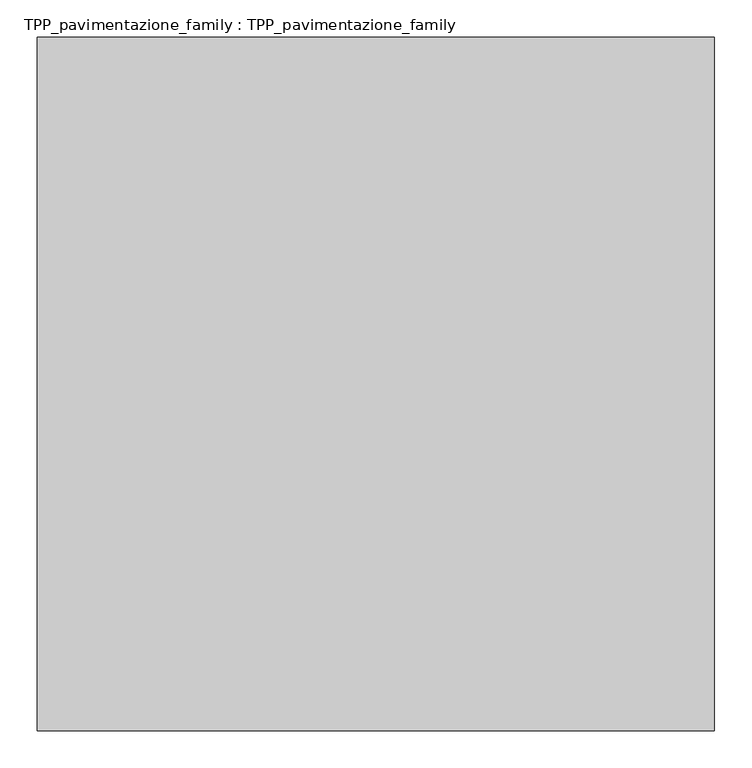
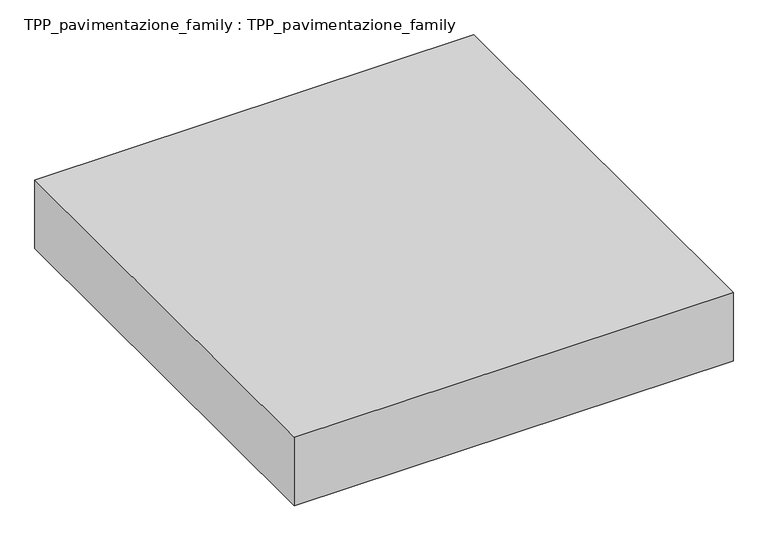
"""IFC4 building model written with IfcOpenShell, lengths in millimetres: proxy geometry, TPP_pavimentazione_family : TPP_pavimentazione_family."""

from ifc_helpers import new_model, si_unit, origin, origin_with_axes, place, context, project, spatial, polyline, outline, extrude, source, transform, mapped, element, save


def tpp_pavimentazione_family_tpp_pavimentazione_family_9f86772f(model_context):
    return source(origin(), model_context, "Body", "SweptSolid", [
        extrude(outline(polyline([(511.8146187, 354.2201026), (511.8146187, -576.3534821), (-396.7968966, -576.3534821), (-396.7968966, 354.2201026), (511.8146187, 354.2201026)])), origin_with_axes(), (0.0, 0.0, 1.0), 150.0),
    ])


if __name__ == "__main__":
    model = new_model("IFC4")
    model_context = context("Model", 3, world=origin())
    ifc_project = project(units=[si_unit("LENGTHUNIT", "METRE", prefix="MILLI")], contexts=[model_context])
    site = spatial("IfcSite", under=ifc_project)
    building = spatial("IfcBuilding", under=site)
    placement = place(None, origin())
    tpp_pavimentazione_family_tpp_pavimentazione_family_shape = tpp_pavimentazione_family_tpp_pavimentazione_family_9f86772f(model_context)
    element("IfcBuildingElementProxy", 1, Name="TPP_pavimentazione_family : TPP_pavimentazione_family", ObjectType="TPP_pavimentazione_family : TPP_pavimentazione_family", at=placement, inside=building, context=model_context, shape_type="MappedRepresentation", body=[
        mapped(tpp_pavimentazione_family_tpp_pavimentazione_family_shape, transform((0.0, 0.0, 0.0), x_axis=(1.0, 0.0, 0.0), y_axis=(0.0, 1.0, 0.0), z_axis=(0.0, 0.0, 1.0))),
    ])
    save(model, "model.ifc")
